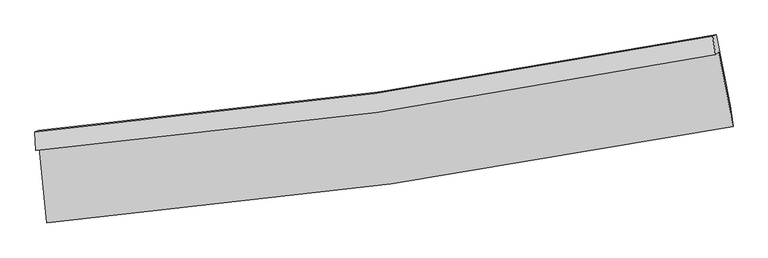
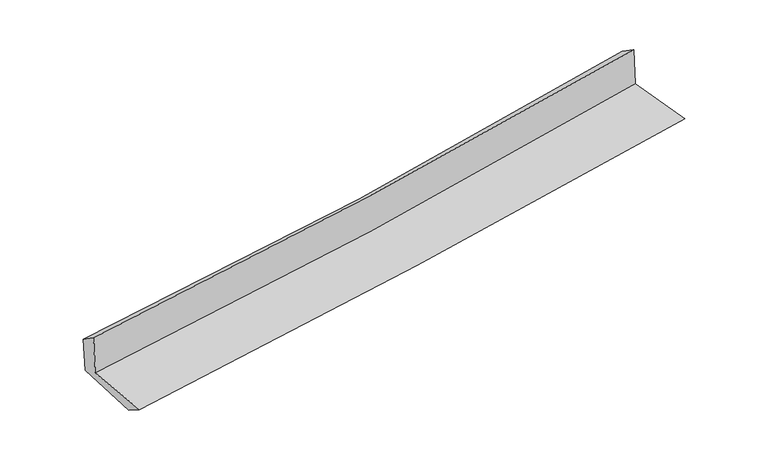
"""IFC4 building model written with IfcOpenShell, lengths in millimetres: proxy geometry."""

from ifc_helpers import new_model, si_unit, frame, origin, place, context, project, spatial, source, transform, mapped, element, save
from ifc_brep_helpers import plane_surface, spline_curve, spline_surface, advanced_brep


def generic_models_77832611(model_context):
    return source(origin(), model_context, "Body", "AdvancedBrep", [
        advanced_brep(
        [(-3036.0536424, -1903.236185, 1628.0853425), (-2967.4241239, -2566.4420383, 1608.5433623), (3114.9684465, -1712.8803295, 2112.4099557), (2987.2642272, -1053.6078843, 2137.1769282), (-3066.5934517, -1925.2569174, 2031.3404088), (2957.5317533, -1074.8975099, 2526.3323217), (-3074.2395166, -1759.9893564, 1919.832623), (2935.7040072, -911.6939615, 2419.7540671), (-3046.6824754, -1746.5408984, 1563.9517995), (2963.903792, -898.188906, 2065.3276023), (-2976.2192233, -2395.1869546, 1503.7278815), (3088.2038663, -1526.0757713, 2010.9247368)],
        [
            (0, 1),
            (1, 2, spline_curve(3, [(-2967.4241239, -2566.4420383, 1608.5433623), (-1949.089990299, -2477.765701684, 1714.765217366), (-933.564486215, -2362.395931723, 1809.833985868), (1093.911040636, -2077.983106048, 1977.834534931), (2105.849726375, -1908.832306458, 2050.721297364), (3114.9684465, -1712.8803295, 2112.4099557)], [4, 2, 4], [0.0, 10.056049590974414, 20.13237356611306])),
            (2, 3),
            (3, 0, spline_curve(3, [(2987.2642272, -1053.6078843, 2137.1769282), (1989.448288625, -1252.733092166, 2064.242934109), (988.088114177, -1423.140464881, 1985.302872367), (-1019.698757292, -1706.234449634, 1815.581532161), (-2026.111206092, -1819.036510371, 1724.824398445), (-3036.0536424, -1903.236185, 1628.0853425)], [4, 2, 4], [0.0, 10.076323975138646, 20.13237356611306])),
            (4, 0),
            (3, 5),
            (5, 4, spline_curve(3, [(2957.5317533, -1074.8975099, 2526.3323217), (1959.177209241, -1274.431702806, 2461.032695145), (957.480589559, -1445.104410623, 2387.083313644), (-1050.574580684, -1728.441520252, 2222.051236344), (-2056.919696259, -1841.221948197, 2131.003313668), (-3066.5934517, -1925.2569174, 2031.3404088)], [4, 2, 4], [0.0, 10.028394990259905, 20.03661203337511])),
            (6, 4),
            (5, 7),
            (7, 6, spline_curve(3, [(2935.7040072, -911.6939615, 2419.7540671), (1940.818833861, -1109.944075213, 2338.763866421), (942.03934117, -1279.803042455, 2256.565476473), (-1061.290822431, -1562.454038373, 2089.920137955), (-2065.82583746, -1675.360203004, 2005.478046621), (-3074.2395166, -1759.9893564, 1919.832623)], [4, 2, 4], [0.0, 10.01658250201792, 20.013010824579155])),
            (8, 6),
            (7, 9),
            (9, 8, spline_curve(3, [(2963.903792, -898.188906, 2065.3276023), (1969.167348083, -1096.331105063, 1980.86014888), (970.408474968, -1266.140895013, 1896.803442603), (-1033.13645155, -1548.810992979, 1729.679826077), (-2037.906334214, -1661.785200418, 1646.611265118), (-3046.6824754, -1746.5408984, 1563.9517995)], [4, 2, 4], [0.0, 10.005609812078172, 19.991087522645117])),
            (10, 8),
            (9, 11),
            (11, 10, spline_curve(3, [(3088.2038663, -1526.0757713, 2010.9247368), (2084.921195778, -1728.942281713, 1925.405639379), (1077.398070413, -1902.845267028, 1840.337575384), (-944.09334012, -2192.432557978, 1671.27376997), (-1958.044577705, -2308.233300547, 1587.276215722), (-2976.2192233, -2395.1869546, 1503.7278815)], [4, 2, 4], [0.0, 10.052706354248318, 20.085185844908374])),
            (1, 10),
            (11, 2),
        ],
        [
            spline_surface(3, 3, [[(-3036.0536424, -1903.236185, 1628.0853425), (-2026.111205988, -1819.036510284, 1724.824398577), (-1019.698757274, -1706.234449549, 1815.581532113), (988.088114159, -1423.140464966, 1985.302872415), (1989.448288647, -1252.733092129, 2064.242934131), (2987.2642272, -1053.6078843, 2137.1769282)], [(-3013.177136236, -2124.304802746, 1621.571349103), (-2000.437467454, -2038.612907429, 1721.471338232), (-990.987333578, -1924.954943638, 1813.665683412), (1023.362422945, -1641.421345317, 1982.813426542), (2028.24876791, -1471.432830192, 2059.735721915), (3029.832300282, -1273.365366015, 2128.921270704)], [(-2990.300630064, -2345.373420554, 1615.057355697), (-1974.763728913, -2258.189304636, 1718.118277877), (-962.275909837, -2143.675437695, 1811.749834707), (1058.636731775, -1859.702225636, 1980.323980665), (2067.049247226, -1690.132568311, 2055.228509685), (3072.400373418, -1493.122847785, 2120.665613196)], [(-2967.4241239, -2566.4420383, 1608.5433623), (-1949.089990379, -2477.765701782, 1714.765217532), (-933.564486141, -2362.395931784, 1809.833986006), (1093.911040561, -2077.983105986, 1977.834534792), (2105.849726489, -1908.832306374, 2050.721297468), (3114.9684465, -1712.8803295, 2112.4099557)]], [4, 4], [4, 2, 4], [0.0, 2.173641496738411], [0.0, 10.056049590974414, 20.13237356611306]),
            spline_surface(3, 3, [[(-3066.5934517, -1925.2569174, 2031.3404088), (-2056.919696233, -1841.221948153, 2131.003313676), (-1050.574580829, -1728.441520117, 2222.051236334), (957.480589705, -1445.104410758, 2387.083313654), (1959.177209285, -1274.431702954, 2461.032695265), (2957.5317533, -1074.8975099, 2526.3323217)], [(-3056.413515254, -1917.916673284, 1896.92205338), (-2046.650199472, -1833.826802214, 1995.610341989), (-1040.282639653, -1721.039163262, 2086.561334901), (967.683097847, -1437.783095494, 2253.156499882), (1969.267569077, -1267.198832697, 2328.769441543), (2967.442577937, -1067.800968051, 2396.613857189)], [(-3046.233578846, -1910.576429116, 1762.50369792), (-2036.380702749, -1826.431656223, 1860.217370263), (-1029.99069845, -1713.636806405, 1951.071433545), (977.885606016, -1430.46178023, 2119.229686187), (1979.357928856, -1259.965962386, 2196.506187854), (2977.353402563, -1060.704426149, 2266.895392711)], [(-3036.0536424, -1903.236185, 1628.0853425), (-2026.111205988, -1819.036510284, 1724.824398577), (-1019.698757274, -1706.234449549, 1815.581532113), (988.088114159, -1423.140464966, 1985.302872415), (1989.448288647, -1252.733092129, 2064.242934131), (2987.2642272, -1053.6078843, 2137.1769282)]], [4, 4], [4, 2, 4], [0.0, 1.3316574851748508], [0.0, 10.008217043115206, 20.03661203337511]),
            spline_surface(3, 3, [[(-3074.2395166, -1759.9893564, 1919.832623), (-2065.825837468, -1675.360202935, 2005.478046742), (-1061.290822408, -1562.454038392, 2089.920138013), (942.039341148, -1279.803042436, 2256.565476416), (1940.818833996, -1109.944075304, 2338.76386656), (2935.7040072, -911.6939615, 2419.7540671)], [(-3071.69082829, -1815.078543398, 1957.001884918), (-2062.857123713, -1730.647451338, 2047.319802371), (-1057.718741878, -1617.783198962, 2133.963837461), (947.186424004, -1334.903498538, 2300.071422169), (1946.93829243, -1164.7732845, 2379.520142819), (2942.979922571, -966.09514428, 2455.28015199)], [(-3069.14214001, -1870.167730402, 1994.171146882), (-2059.888409988, -1785.934699749, 2089.161558047), (-1054.146661359, -1673.112359548, 2178.007536886), (952.333506848, -1390.003954656, 2343.5773679), (1953.057750851, -1219.602493758, 2420.276419006), (2950.255837929, -1020.49632712, 2490.80623681)], [(-3066.5934517, -1925.2569174, 2031.3404088), (-2056.919696233, -1841.221948153, 2131.003313676), (-1050.574580829, -1728.441520117, 2222.051236334), (957.480589705, -1445.104410758, 2387.083313654), (1959.177209285, -1274.431702954, 2461.032695265), (2957.5317533, -1074.8975099, 2526.3323217)]], [4, 4], [4, 2, 4], [0.0, 0.6948467837721708], [0.0, 9.996428322561234, 20.013010824579155]),
            spline_surface(3, 3, [[(-3046.6824754, -1746.5408984, 1563.9517995), (-2037.906334252, -1661.785200433, 1646.611264974), (-1033.136451504, -1548.810992966, 1729.679826167), (970.408474921, -1266.140895025, 1896.803442513), (1969.167347973, -1096.331105023, 1980.860148928), (2963.903792, -898.188906, 2065.3276023)], [(-3055.868155804, -1751.023717712, 1682.578740682), (-2047.212835328, -1666.310201246, 1766.233525578), (-1042.521241798, -1553.358674758, 1849.759930125), (960.952097004, -1270.694944145, 2016.724120491), (1959.717843323, -1100.868761781, 2100.161388134), (2954.503863742, -902.690591164, 2183.469757228)], [(-3065.053836196, -1755.506537088, 1801.205681818), (-2056.519336392, -1670.835202122, 1885.855786138), (-1051.906032114, -1557.906356601, 1969.840034054), (951.495719065, -1275.248993316, 2136.644798438), (1950.268338646, -1105.406418545, 2219.462627354), (2945.103935458, -907.192276336, 2301.611912172)], [(-3074.2395166, -1759.9893564, 1919.832623), (-2065.825837468, -1675.360202935, 2005.478046742), (-1061.290822408, -1562.454038392, 2089.920138013), (942.039341148, -1279.803042436, 2256.565476416), (1940.818833996, -1109.944075304, 2338.76386656), (2935.7040072, -911.6939615, 2419.7540671)]], [4, 4], [4, 2, 4], [0.0, 1.1855850833453943], [0.0, 9.985477710566945, 19.991087522645117]),
            spline_surface(3, 3, [[(-2976.2192233, -2395.1869546, 1503.7278815), (-1958.044577688, -2308.233300446, 1587.276215746), (-944.093340001, -2192.432558045, 1671.27377006), (1077.398070294, -1902.845266961, 1840.337575295), (2084.921195845, -1728.942281594, 1925.4056394), (3088.2038663, -1526.0757713, 2010.9247368)], [(-2999.706974008, -2178.971602551, 1523.802520825), (-1984.665163217, -2092.750600459, 1607.05456548), (-973.774377173, -1977.892036353, 1690.742455414), (1041.734871832, -1690.610476316, 1859.159531019), (2046.336579899, -1518.071889422, 1943.890475889), (3046.770508212, -1316.780149552, 2029.05902528)], [(-3023.194724692, -1962.756250449, 1543.877160175), (-2011.285748723, -1877.26790042, 1626.83291524), (-1003.455414332, -1763.351514658, 1710.211140813), (1006.071673383, -1478.37568567, 1877.981486789), (2007.751963919, -1307.201497194, 1962.375312439), (3005.337150088, -1107.484527748, 2047.19331382)], [(-3046.6824754, -1746.5408984, 1563.9517995), (-2037.906334252, -1661.785200433, 1646.611264974), (-1033.136451504, -1548.810992966, 1729.679826167), (970.408474921, -1266.140895025, 1896.803442513), (1969.167347973, -1096.331105023, 1980.860148928), (2963.903792, -898.188906, 2065.3276023)]], [4, 4], [4, 2, 4], [0.0, 2.133073624882955], [0.0, 10.032479490660055, 20.085185844908374]),
            spline_surface(3, 3, [[(-2967.4241239, -2566.4420383, 1608.5433623), (-1949.089990379, -2477.765701782, 1714.765217532), (-933.564486141, -2362.395931784, 1809.833986006), (1093.911040561, -2077.983105986, 1977.834534792), (2105.849726489, -1908.832306374, 2050.721297468), (3114.9684465, -1712.8803295, 2112.4099557)], [(-2970.355823709, -2509.357010409, 1573.604868692), (-1952.074852825, -2421.254901346, 1672.268883596), (-937.074104078, -2305.741473882, 1763.647247379), (1088.406717156, -2019.603826322, 1932.002214982), (2098.873549596, -1848.868964786, 2008.949411453), (3106.046919755, -1650.612143438, 2078.581549408)], [(-2973.287523491, -2452.271982491, 1538.666375108), (-1955.059715243, -2364.744100882, 1629.772549683), (-940.583722064, -2249.087015947, 1717.460508686), (1082.9023937, -1961.224546625, 1886.169895105), (2091.897372737, -1788.905623182, 1967.177525415), (3097.125393045, -1588.343957362, 2044.753143092)], [(-2976.2192233, -2395.1869546, 1503.7278815), (-1958.044577688, -2308.233300446, 1587.276215746), (-944.093340001, -2192.432558045, 1671.27377006), (1077.398070294, -1902.845266961, 1840.337575295), (2084.921195845, -1728.942281594, 1925.4056394), (3088.2038663, -1526.0757713, 2010.9247368)]], [4, 4], [4, 2, 4], [0.0, 0.7263195368569326], [0.0, 10.091165478189557, 20.20267613901955]),
            plane_surface(frame((3007.9293488, -1196.2240604, 2211.987602), z_axis=(0.9787910705995733, 0.18640405449162337, 0.08497981280060159), x_axis=(-0.07925674992517805, -0.037956559405415244, 0.9961313503697196))),
            plane_surface(frame((-3027.8687389, -2049.4420583, 1709.2469029), z_axis=(-0.9916942646195139, -0.10024766287636591, -0.0805784810516316), x_axis=(-0.10288763912424874, 0.9942614488781233, 0.029296842666293434))),
        ],
        [
            (0, [[1, 2, 3, 4]]),
            (1, [[5, -4, 6, 7]]),
            (2, [[8, -7, 9, 10]]),
            (3, [[11, -10, 12, 13]]),
            (4, [[14, -13, 15, 16]]),
            (5, [[17, -16, 18, -2]]),
            (6, [[-12, -9, -6, -3, -18, -15]]),
            (7, [[-1, -5, -8, -11, -14, -17]]),
        ],
    ),
    ])


if __name__ == "__main__":
    model = new_model("IFC4")
    model_context = context("Model", 3, world=origin())
    ifc_project = project(units=[si_unit("LENGTHUNIT", "METRE", prefix="MILLI")], contexts=[model_context])
    site = spatial("IfcSite", under=ifc_project)
    building = spatial("IfcBuilding", under=site)
    placement = place(None, origin())
    generic_models_shape = generic_models_77832611(model_context)
    element("IfcBuildingElementProxy", 1, Name="Generic Models", at=placement, inside=building, context=model_context, shape_type="MappedRepresentation", body=[
        mapped(generic_models_shape, transform((0.0, 0.0, 0.0), x_axis=(1.0, 0.0, 0.0), y_axis=(0.0, 1.0, 0.0), z_axis=(0.0, 0.0, 1.0))),
    ])
    save(model, "model.ifc")
